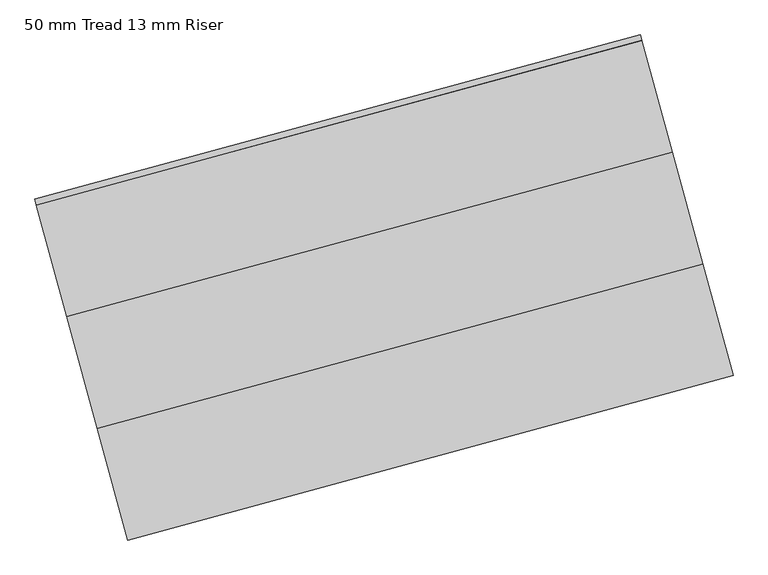
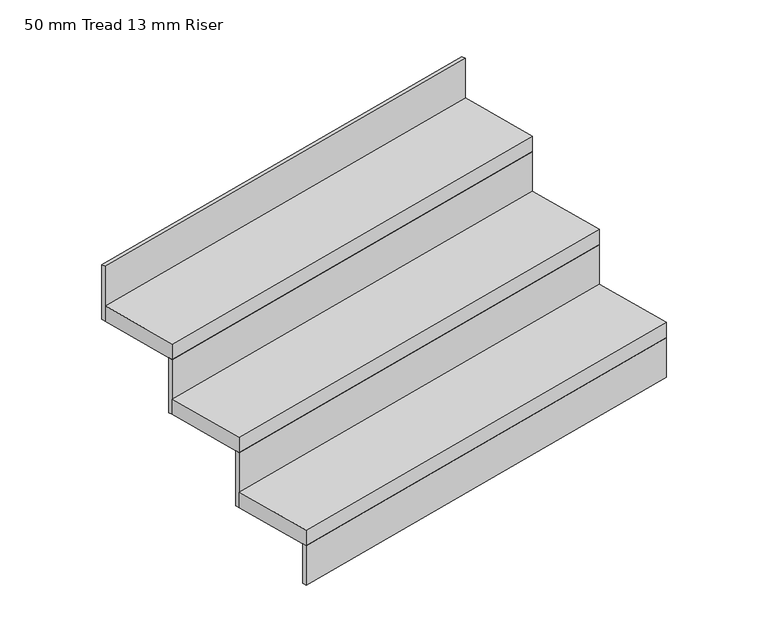
"""IFC4 building model written with IfcOpenShell, lengths in millimetres: stair flight geometry, 50 mm Tread 13 mm Riser."""

from ifc_helpers import new_model, si_unit, frame, origin, origin_with_axes, place, context, project, spatial, polyline, outline, extrude, source, transform, mapped, element, save


def stair_flight_50_mm_tread_13_mm_riser_c6fb3ca4(model_context):
    return source(origin(), model_context, "Body", "SweptSolid", [
        extrude(outline(polyline([(136361.8284102, 66889.3957708), (136365.1070207, 66877.3334031), (135058.6626302, 66522.2354348), (135055.3840198, 66534.2978024), (136361.8284102, 66889.3957708)])), origin_with_axes(), (0.0, 0.0, 1.0), 127.7777778),
        extrude(outline(polyline([(134993.090421, 66763.4827879), (136299.5348114, 67118.5807562), (136365.1070207, 66877.3334031), (135058.6626302, 66522.2354348), (134993.090421, 66763.4827879)])), frame((0.0, 0.0, 127.7777778), z_axis=(0.0, 0.0, 1.0), x_axis=(1.0, 0.0, 0.0)), (0.0, 0.0, 1.0), 50.0),
        extrude(outline(polyline([(136296.256201, 67130.6431239), (136299.5348114, 67118.5807562), (134993.090421, 66763.4827879), (134989.8118105, 66775.5451555), (136296.256201, 67130.6431239)])), frame((0.0, 0.0, 127.7777778), z_axis=(0.0, 0.0, 1.0), x_axis=(1.0, 0.0, 0.0)), (0.0, 0.0, 1.0), 177.7777778),
        extrude(outline(polyline([(134927.5182117, 67004.730141), (136233.9626022, 67359.8281093), (136299.5348114, 67118.5807562), (134993.090421, 66763.4827879), (134927.5182117, 67004.730141)])), frame((0.0, 0.0, 305.5555556), z_axis=(0.0, 0.0, 1.0), x_axis=(1.0, 0.0, 0.0)), (0.0, 0.0, 1.0), 50.0),
        extrude(outline(polyline([(136230.6839917, 67371.890477), (136233.9626022, 67359.8281093), (134927.5182117, 67004.730141), (134924.2396012, 67016.7925086), (136230.6839917, 67371.890477)])), frame((0.0, 0.0, 305.5555556), z_axis=(0.0, 0.0, 1.0), x_axis=(1.0, 0.0, 0.0)), (0.0, 0.0, 1.0), 177.7777778),
        extrude(outline(polyline([(136165.1117825, 67613.1378301), (136168.3903929, 67601.0754624), (134861.9460024, 67245.977494), (134858.667392, 67258.0398617), (136165.1117825, 67613.1378301)])), frame((0.0, 0.0, 483.3333333), z_axis=(0.0, 0.0, 1.0), x_axis=(1.0, 0.0, 0.0)), (0.0, 0.0, 1.0), 177.7777778),
        extrude(outline(polyline([(134861.9460024, 67245.977494), (136168.3903929, 67601.0754624), (136233.9626022, 67359.8281093), (134927.5182117, 67004.730141), (134861.9460024, 67245.977494)])), frame((0.0, 0.0, 483.3333333), z_axis=(0.0, 0.0, 1.0), x_axis=(1.0, 0.0, 0.0)), (0.0, 0.0, 1.0), 50.0),
    ])


if __name__ == "__main__":
    model = new_model("IFC4")
    model_context = context("Model", 3, world=origin())
    ifc_project = project(units=[si_unit("LENGTHUNIT", "METRE", prefix="MILLI")], contexts=[model_context])
    site = spatial("IfcSite", under=ifc_project)
    building = spatial("IfcBuilding", under=site)
    placement = place(None, origin())
    stair_flight_50_mm_tread_13_mm_riser_shape = stair_flight_50_mm_tread_13_mm_riser_c6fb3ca4(model_context)
    element("IfcStairFlight", 1, ObjectType="50 mm Tread 13 mm Riser", at=placement, inside=building, context=model_context, shape_type="MappedRepresentation", body=[
        mapped(stair_flight_50_mm_tread_13_mm_riser_shape, transform((0.0, 0.0, 0.0), x_axis=(1.0, 0.0, 0.0), y_axis=(0.0, 1.0, 0.0), z_axis=(0.0, 0.0, 1.0))),
    ])
    save(model, "model.ifc")
